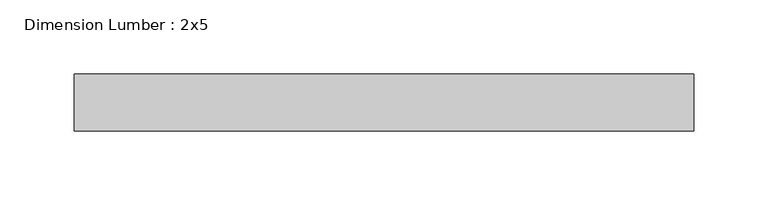
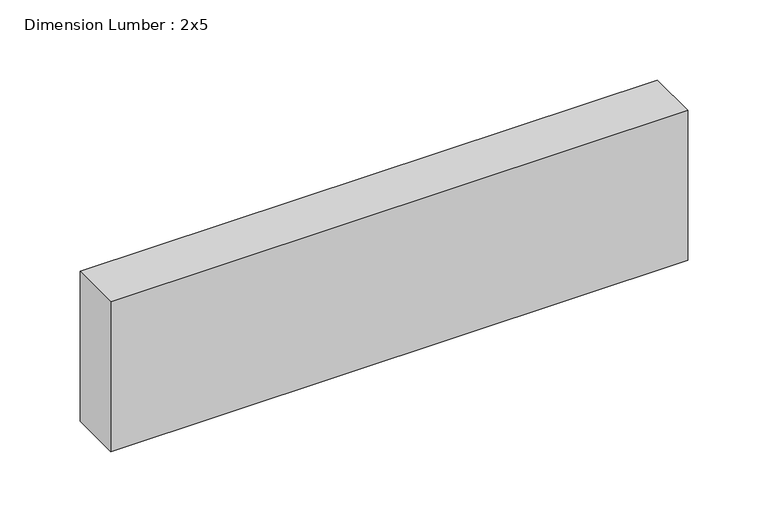
"""IFC4 building model written with IfcOpenShell, lengths in millimetres: beam geometry, Dimension Lumber : 2x5."""

from ifc_helpers import new_model, si_unit, frame, origin, place, context, project, spatial, polyline, outline, extrude, source, transform, mapped, element, save


def dimension_lumber_2x5_887b93d7(model_context):
    return source(origin(), model_context, "Body", "SweptSolid", [
        extrude(outline(polyline([(208.1362036, 19.05), (208.1362036, -19.05), (-208.1362036, -19.05), (-208.1362036, 19.05), (208.1362036, 19.05)])), frame((0.0, 0.0, -57.15), z_axis=(0.0, 0.0, 1.0), x_axis=(1.0, 0.0, 0.0)), (0.0, 0.0, 1.0), 114.3),
    ])


if __name__ == "__main__":
    model = new_model("IFC4")
    model_context = context("Model", 3, world=origin())
    ifc_project = project(units=[si_unit("LENGTHUNIT", "METRE", prefix="MILLI")], contexts=[model_context])
    site = spatial("IfcSite", under=ifc_project)
    building = spatial("IfcBuilding", under=site)
    placement = place(None, origin())
    dimension_lumber_2x5_shape = dimension_lumber_2x5_887b93d7(model_context)
    element("IfcBeam", 1, ObjectType="Dimension Lumber : 2x5", at=placement, inside=building, context=model_context, shape_type="MappedRepresentation", body=[
        mapped(dimension_lumber_2x5_shape, transform((0.0, 0.0, 0.0), x_axis=(1.0, 0.0, 0.0), y_axis=(0.0, 1.0, 0.0), z_axis=(0.0, 0.0, 1.0))),
    ])
    save(model, "model.ifc")
